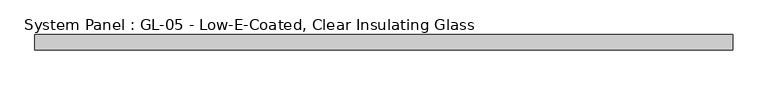
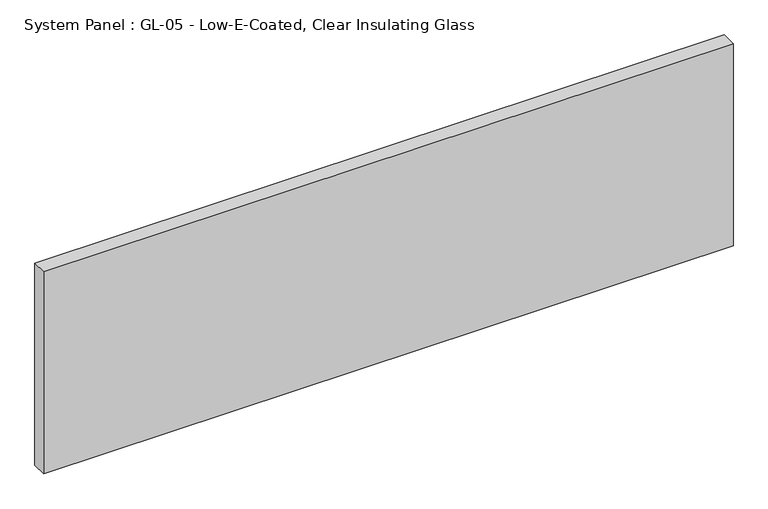
"""IFC4 building model written with IfcOpenShell, lengths in millimetres: plate geometry, System Panel : GL-05 - Low-E-Coated, Clear Insulating Glass."""

from ifc_helpers import new_model, si_unit, origin, origin_with_axes, place, context, project, spatial, polyline, outline, extrude, source, transform, mapped, element, save


def system_panel_gl_05_low_e_coated_clear_insulating_glass_d1166b42(model_context):
    return source(origin(), model_context, "Body", "SweptSolid", [
        extrude(outline(polyline([(584.2, -12.7), (-584.2, -12.7), (-584.2, 12.7), (584.2, 12.7), (584.2, -12.7)])), origin_with_axes(), (0.0, 0.0, 1.0), 361.95),
    ])


if __name__ == "__main__":
    model = new_model("IFC4")
    model_context = context("Model", 3, world=origin())
    ifc_project = project(units=[si_unit("LENGTHUNIT", "METRE", prefix="MILLI")], contexts=[model_context])
    site = spatial("IfcSite", under=ifc_project)
    building = spatial("IfcBuilding", under=site)
    placement = place(None, origin())
    system_panel_gl_05_low_e_coated_clear_insulating_glass_shape = system_panel_gl_05_low_e_coated_clear_insulating_glass_d1166b42(model_context)
    element("IfcPlate", 1, ObjectType="System Panel : GL-05 - Low-E-Coated, Clear Insulating Glass", at=placement, inside=building, context=model_context, shape_type="MappedRepresentation", body=[
        mapped(system_panel_gl_05_low_e_coated_clear_insulating_glass_shape, transform((0.0, 0.0, 0.0), x_axis=(1.0, 0.0, 0.0), y_axis=(0.0, 1.0, 0.0), z_axis=(0.0, 0.0, 1.0))),
    ])
    save(model, "model.ifc")
